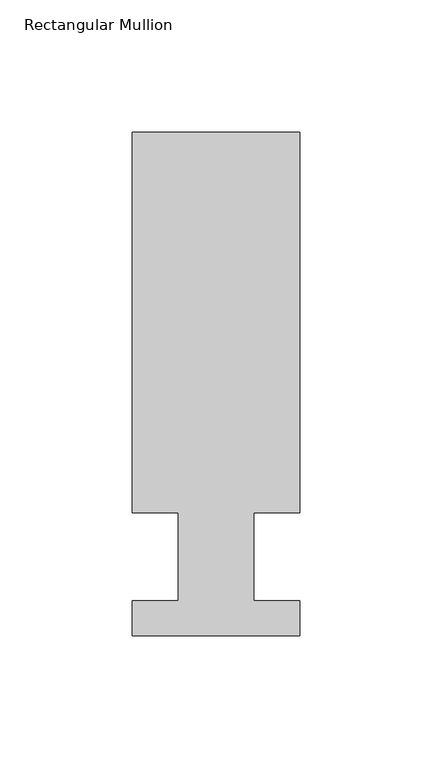
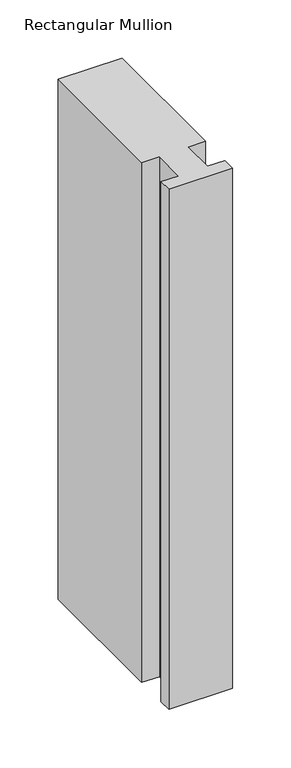
"""IFC4 building model written with IfcOpenShell, lengths in millimetres: member geometry, Rectangular Mullion."""

from ifc_helpers import new_model, si_unit, frame, origin, place, context, project, spatial, polyline, outline, extrude, source, transform, mapped, element, save


def rectangular_mullion_e27fbbce(model_context):
    return source(origin(), model_context, "Body", "SweptSolid", [
        extrude(outline(polyline([(-63.5000004, 190.7881316), (-4e-07, 190.7881316), (-4e-07, 46.7447316), (-17.4625004, 46.7447316), (-17.4625004, 13.3945316), (0.0, 13.3945316), (0.0, 0.2119316), (-63.5, 0.2119316), (-63.5, 13.3945316), (-46.0248005, 13.3945316), (-46.0248005, 46.7447316), (-63.5000004, 46.7447316), (-63.5000004, 190.7881316)])), frame((0.0, 0.0, -546.1000004), z_axis=(0.0, 0.0, 1.0), x_axis=(1.0, 0.0, 0.0)), (0.0, 0.0, 1.0), 546.1000004),
    ])


if __name__ == "__main__":
    model = new_model("IFC4")
    model_context = context("Model", 3, world=origin())
    ifc_project = project(units=[si_unit("LENGTHUNIT", "METRE", prefix="MILLI")], contexts=[model_context])
    site = spatial("IfcSite", under=ifc_project)
    building = spatial("IfcBuilding", under=site)
    placement = place(None, origin())
    rectangular_mullion_shape = rectangular_mullion_e27fbbce(model_context)
    element("IfcMember", 1, ObjectType="Rectangular Mullion", at=placement, inside=building, context=model_context, shape_type="MappedRepresentation", body=[
        mapped(rectangular_mullion_shape, transform((0.0, 0.0, 0.0), x_axis=(1.0, 0.0, 0.0), y_axis=(0.0, 1.0, 0.0), z_axis=(0.0, 0.0, 1.0))),
    ])
    save(model, "model.ifc")
